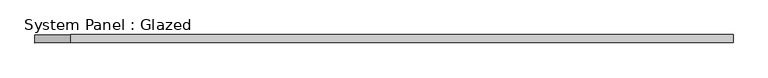
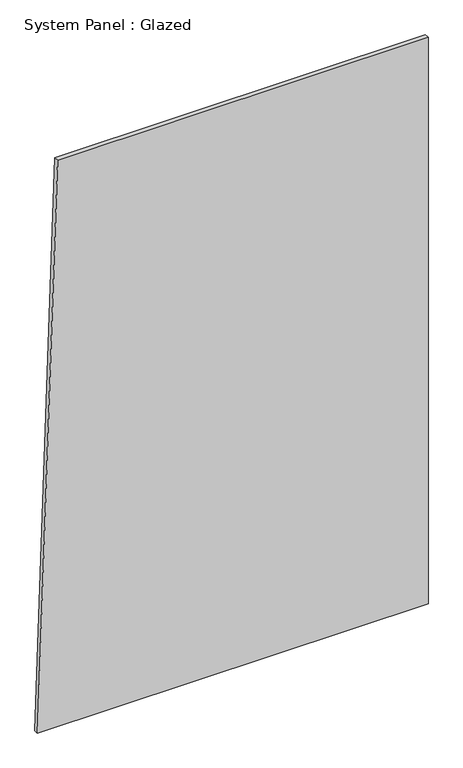
"""IFC4 building model written with IfcOpenShell, lengths in millimetres: plate geometry, System Panel : Glazed."""

from ifc_helpers import new_model, si_unit, frame, origin, place, context, project, spatial, polyline, outline, extrude, source, transform, mapped, element, save


def system_panel_glazed_833169b2(model_context):
    return source(origin(), model_context, "Body", "SweptSolid", [
        extrude(outline(polyline([(0.0, -1088.3048352), (0.0, 1088.3048352), (3336.3860932, 1088.3048352), (3336.3860932, -976.5761623), (0.0, -1088.3048352)])), frame((0.0, -49.5, 0.0), z_axis=(0.0, 1.0, 0.0), x_axis=(0.0, 0.0, 1.0)), (0.0, 0.0, 1.0), 25.0),
    ])


if __name__ == "__main__":
    model = new_model("IFC4")
    model_context = context("Model", 3, world=origin())
    ifc_project = project(units=[si_unit("LENGTHUNIT", "METRE", prefix="MILLI")], contexts=[model_context])
    site = spatial("IfcSite", under=ifc_project)
    building = spatial("IfcBuilding", under=site)
    placement = place(None, origin())
    system_panel_glazed_shape = system_panel_glazed_833169b2(model_context)
    element("IfcPlate", 1, ObjectType="System Panel : Glazed", at=placement, inside=building, context=model_context, shape_type="MappedRepresentation", body=[
        mapped(system_panel_glazed_shape, transform((0.0, 0.0, 0.0), x_axis=(1.0, 0.0, 0.0), y_axis=(0.0, 1.0, 0.0), z_axis=(0.0, 0.0, 1.0))),
    ])
    save(model, "model.ifc")
